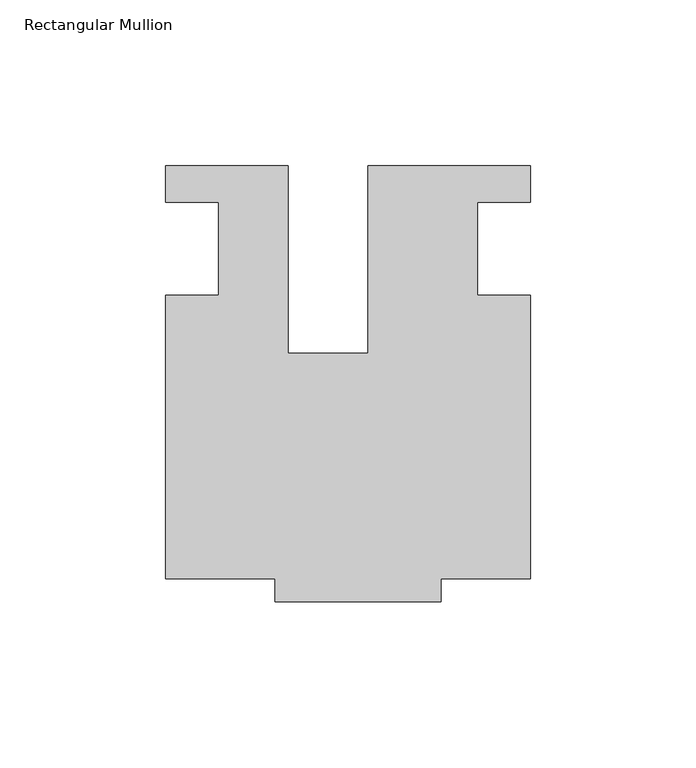
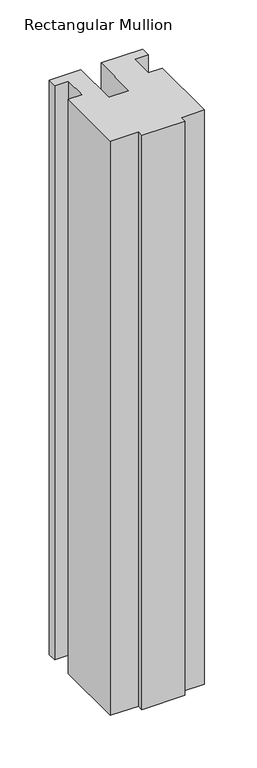
"""IFC4 building model written with IfcOpenShell, lengths in millimetres: member geometry, Rectangular Mullion."""

from ifc_helpers import new_model, si_unit, frame, origin, place, context, project, spatial, polyline, outline, extrude, source, transform, mapped, element, save


def rectangular_mullion_754f26f6(model_context):
    return source(origin(), model_context, "Body", "SweptSolid", [
        extrude(outline(polyline([(-24.0309529, 25.0), (-24.0309529, -31.6008577), (0.0, -31.6008577), (0.0, 25.0), (49.0, 25.0), (49.0, 14.0), (32.9971154, 14.0), (32.9971154, -14.0), (49.0, -14.0), (49.0, -99.5), (22.0028846, -99.5), (22.0028846, -106.5), (-27.9971154, -106.5), (-27.9971154, -99.4999439), (-60.9971154, -99.4999439), (-60.9971154, -14.0), (-44.9971154, -14.0), (-44.9971154, 14.0), (-61.0409135, 14.0), (-61.0409135, 25.0), (-24.0309529, 25.0)])), frame((0.0, 0.0, -713.0936625), z_axis=(0.0, 0.0, 1.0), x_axis=(1.0, 0.0, 0.0)), (0.0, 0.0, 1.0), 713.0936625),
    ])


if __name__ == "__main__":
    model = new_model("IFC4")
    model_context = context("Model", 3, world=origin())
    ifc_project = project(units=[si_unit("LENGTHUNIT", "METRE", prefix="MILLI")], contexts=[model_context])
    site = spatial("IfcSite", under=ifc_project)
    building = spatial("IfcBuilding", under=site)
    placement = place(None, origin())
    rectangular_mullion_shape = rectangular_mullion_754f26f6(model_context)
    element("IfcMember", 1, ObjectType="Rectangular Mullion", at=placement, inside=building, context=model_context, shape_type="MappedRepresentation", body=[
        mapped(rectangular_mullion_shape, transform((0.0, 0.0, 0.0), x_axis=(1.0, 0.0, 0.0), y_axis=(0.0, 1.0, 0.0), z_axis=(0.0, 0.0, 1.0))),
    ])
    save(model, "model.ifc")
